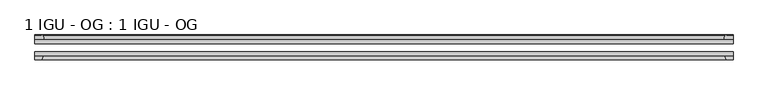
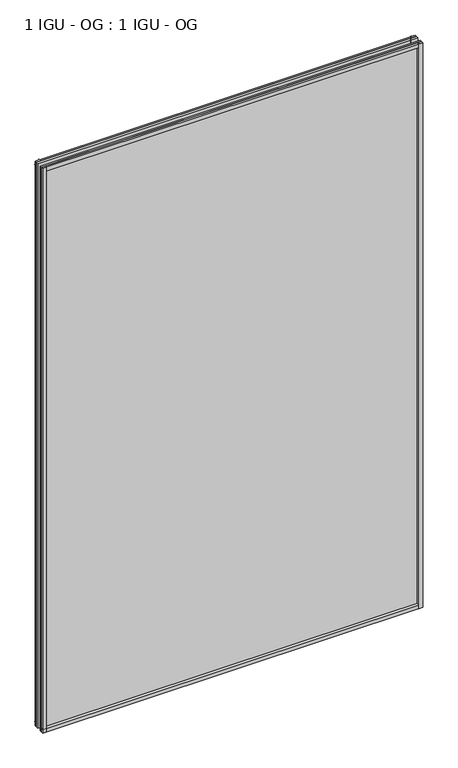
"""IFC4 building model written with IfcOpenShell, lengths in millimetres: plate geometry, 1 IGU - OG : 1 IGU - OG."""

from ifc_helpers import new_model, si_unit, point, frame, frame_2d, origin, place, context, project, spatial, polyline, circle_curve, trimmed, segment, composite_curve, outline, extrude, source, transform, mapped, element, save


def plate_1_igu_og_1_igu_og_431ec231(model_context):
    return source(origin(), model_context, "Body", "SweptSolid", [
        extrude(outline(polyline([(577.8980842, -31.75), (577.8980842, -38.1), (-539.7980842, -38.1), (-539.7980842, -31.75), (577.8980842, -31.75)])), frame((0.0, 0.0, -11.1125), z_axis=(0.0, 0.0, 1.0), x_axis=(1.0, 0.0, 0.0)), (0.0, 0.0, 1.0), 1755.775),
        extrude(outline(polyline([(-539.7980842, -12.7), (577.8980842, -12.7), (577.8980842, -19.05), (-539.7980842, -19.05), (-539.7980842, -12.7)])), frame((0.0, 0.0, -11.1125), z_axis=(0.0, 0.0, 1.0), x_axis=(1.0, 0.0, 0.0)), (0.0, 0.0, 1.0), 1755.775),
        extrude(outline(composite_curve([segment(polyline([(-524.4622933, -12.7), (-539.7980842, -12.7), (-539.7980842, -6.35), (-528.6855842, -6.35), (-528.6855842, -4.7751661), (-527.7561703, -4.7751661)]), True, "CONTINUOUS"), segment(trimmed(circle_curve(frame_2d((-527.7561703, -5.5371661)), 0.762), [point((-527.7561703, -4.7751661))], [point((-527.0139603, -5.364631))], False, "CARTESIAN"), True, "CONTINUOUS"), segment(trimmed(circle_curve(frame_2d((-491.3847421, 2.9177851)), 36.5792237), [point((-527.0139603, -5.364631))], [point((-524.4622933, -12.7))], True, "CARTESIAN"), True, "CONTINUOUS")], self_intersect=False)), frame((0.0, 0.0, -11.1125), z_axis=(0.0, 0.0, 1.0), x_axis=(1.0, 0.0, 0.0)), (0.0, 0.0, 1.0), 1755.775),
        extrude(outline(polyline([(-539.7980842, -38.1), (-526.5803072, -38.1), (-528.6855842, -44.45), (-539.7980842, -44.45), (-539.7980842, -38.1)])), frame((0.0, 0.0, -11.1125), z_axis=(0.0, 0.0, 1.0), x_axis=(1.0, 0.0, 0.0)), (0.0, 0.0, 1.0), 1755.775),
        extrude(outline(composite_curve([segment(trimmed(circle_curve(frame_2d((565.8561703, -5.5371661)), 0.762), [point((565.1139603, -5.364631))], [point((565.8561703, -4.7751661))], False, "CARTESIAN"), True, "CONTINUOUS"), segment(polyline([(565.8561703, -4.7751661), (566.7855842, -4.7751661), (566.7855842, -6.35), (577.8980842, -6.35), (577.8980842, -12.7), (562.5622933, -12.7)]), True, "CONTINUOUS"), segment(trimmed(circle_curve(frame_2d((529.4847421, 2.9177851)), 36.5792237), [point((562.5622933, -12.7))], [point((565.1139603, -5.364631))], True, "CARTESIAN"), True, "CONTINUOUS")], self_intersect=False)), frame((0.0, 0.0, -11.1125), z_axis=(0.0, 0.0, 1.0), x_axis=(1.0, 0.0, 0.0)), (0.0, 0.0, 1.0), 1755.775),
        extrude(outline(polyline([(564.6803072, -38.1), (577.8980842, -38.1), (577.8980842, -44.45), (566.7855842, -44.45), (564.6803072, -38.1)])), frame((0.0, 0.0, -11.1125), z_axis=(0.0, 0.0, 1.0), x_axis=(1.0, 0.0, 0.0)), (0.0, 0.0, 1.0), 1755.775),
        extrude(outline(composite_curve([segment(polyline([(-12.7, -11.1125), (-12.7, 4.2232909)]), True, "CONTINUOUS"), segment(trimmed(circle_curve(frame_2d((2.9177851, 37.3008421)), 36.5792237), [point((-12.7, 4.2232909))], [point((-5.364631, 1.6716239))], True, "CARTESIAN"), True, "CONTINUOUS"), segment(trimmed(circle_curve(frame_2d((-5.5371661, 0.929414)), 0.762), [point((-5.364631, 1.6716239))], [point((-4.7751661, 0.929414))], False, "CARTESIAN"), True, "CONTINUOUS"), segment(polyline([(-4.7751661, 0.929414), (-4.7751661, 0.0), (-6.35, 0.0), (-6.35, -11.1125), (-12.7, -11.1125)]), True, "CONTINUOUS")], self_intersect=False)), frame((-539.7980842, 0.0, 0.0), z_axis=(1.0, 0.0, 0.0), x_axis=(0.0, 1.0, 0.0)), (0.0, 0.0, 1.0), 1117.6961685),
        extrude(outline(polyline([(-38.1, 2.1052771), (-38.1, -11.1125), (-44.45, -11.1125), (-44.45, 0.0), (-38.1, 2.1052771)])), frame((-539.7980842, 0.0, 0.0), z_axis=(1.0, 0.0, 0.0), x_axis=(0.0, 1.0, 0.0)), (0.0, 0.0, 1.0), 1117.6961685),
        extrude(outline(composite_curve([segment(trimmed(circle_curve(frame_2d((2.9177851, 1696.2491579)), 36.5792237), [point((-5.364631, 1731.8783761))], [point((-12.7, 1729.3267091))], True, "CARTESIAN"), True, "CONTINUOUS"), segment(polyline([(-12.7, 1729.3267091), (-12.7, 1744.6625), (-6.35, 1744.6625), (-6.35, 1733.55), (-4.7751661, 1733.55), (-4.7751661, 1732.620586)]), True, "CONTINUOUS"), segment(trimmed(circle_curve(frame_2d((-5.5371661, 1732.620586)), 0.762), [point((-4.7751661, 1732.620586))], [point((-5.364631, 1731.8783761))], False, "CARTESIAN"), True, "CONTINUOUS")], self_intersect=False)), frame((-539.7980842, 0.0, 0.0), z_axis=(1.0, 0.0, 0.0), x_axis=(0.0, 1.0, 0.0)), (0.0, 0.0, 1.0), 1117.6961685),
        extrude(outline(polyline([(-38.1, 1744.6625), (-38.1, 1731.4447229), (-44.45, 1733.55), (-44.45, 1744.6625), (-38.1, 1744.6625)])), frame((-539.7980842, 0.0, 0.0), z_axis=(1.0, 0.0, 0.0), x_axis=(0.0, 1.0, 0.0)), (0.0, 0.0, 1.0), 1117.6961685),
    ])


if __name__ == "__main__":
    model = new_model("IFC4")
    model_context = context("Model", 3, world=origin())
    ifc_project = project(units=[si_unit("LENGTHUNIT", "METRE", prefix="MILLI")], contexts=[model_context])
    site = spatial("IfcSite", under=ifc_project)
    building = spatial("IfcBuilding", under=site)
    placement = place(None, origin())
    plate_1_igu_og_1_igu_og_shape = plate_1_igu_og_1_igu_og_431ec231(model_context)
    element("IfcPlate", 1, ObjectType="1 IGU - OG : 1 IGU - OG", at=placement, inside=building, context=model_context, shape_type="MappedRepresentation", body=[
        mapped(plate_1_igu_og_1_igu_og_shape, transform((0.0, 0.0, 0.0), x_axis=(1.0, 0.0, 0.0), y_axis=(0.0, 1.0, 0.0), z_axis=(0.0, 0.0, 1.0))),
    ])
    save(model, "model.ifc")
